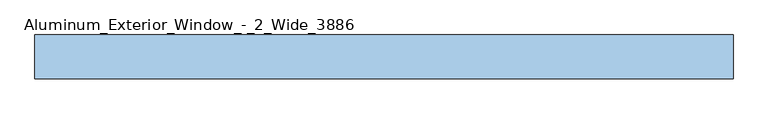
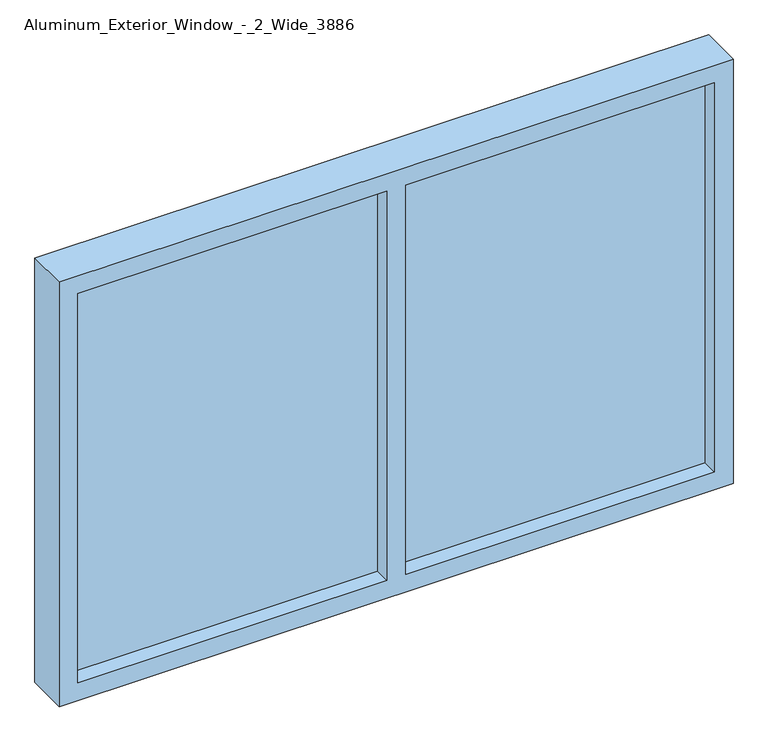
"""IFC4 building model written with IfcOpenShell, lengths in millimetres: window geometry, Aluminum_Exterior_Window_-_2_Wide_3886."""

from ifc_helpers import new_model, si_unit, frame, origin, place, context, project, spatial, polyline, outline, extrude, source, transform, mapped, element, save


def aluminum_exterior_window_2_wide_3886_5f28be50(model_context):
    return source(origin(), model_context, "Body", "SweptSolid", [
        extrude(outline(polyline([(-431.8, 106.7075246), (406.4, 106.7075246), (406.4, 81.3075246), (-431.8, 81.3075246), (-431.8, 106.7075246)])), frame((0.0, 0.0, 1066.8), z_axis=(0.0, 0.0, 1.0), x_axis=(1.0, 0.0, 0.0)), (0.0, 0.0, 1.0), 1117.6),
        extrude(outline(polyline([(-1320.8, 106.7075246), (-482.6, 106.7075246), (-482.6, 81.3075246), (-1320.8, 81.3075246), (-1320.8, 106.7075246)])), frame((0.0, 0.0, 1066.8), z_axis=(0.0, 0.0, 1.0), x_axis=(1.0, 0.0, 0.0)), (0.0, 0.0, 1.0), 1117.6),
        extrude(outline(polyline([(2235.2, -1371.6), (1016.0, -1371.6), (1016.0, 457.2), (2235.2, 457.2), (2235.2, -1371.6)]), holes=[polyline([(2184.4, -431.8), (2184.4, 406.4), (1066.8, 406.4), (1066.8, -431.8), (2184.4, -431.8)]), polyline([(2184.4, -1320.8), (2184.4, -482.6), (1066.8, -482.6), (1066.8, -1320.8), (2184.4, -1320.8)])]), frame((0.0, 36.8575246, 0.0), z_axis=(0.0, 1.0, 0.0), x_axis=(0.0, 0.0, 1.0)), (0.0, 0.0, 1.0), 114.3),
    ])


if __name__ == "__main__":
    model = new_model("IFC4")
    model_context = context("Model", 3, world=origin())
    ifc_project = project(units=[si_unit("LENGTHUNIT", "METRE", prefix="MILLI")], contexts=[model_context])
    site = spatial("IfcSite", under=ifc_project)
    building = spatial("IfcBuilding", under=site)
    placement = place(None, origin())
    aluminum_exterior_window_2_wide_3886_shape = aluminum_exterior_window_2_wide_3886_5f28be50(model_context)
    element("IfcWindow", 1, ObjectType="Aluminum_Exterior_Window_-_2_Wide_3886", at=placement, inside=building, context=model_context, shape_type="MappedRepresentation", body=[
        mapped(aluminum_exterior_window_2_wide_3886_shape, transform((0.0, 0.0, 0.0), x_axis=(1.0, 0.0, 0.0), y_axis=(0.0, 1.0, 0.0), z_axis=(0.0, 0.0, 1.0))),
    ])
    save(model, "model.ifc")
